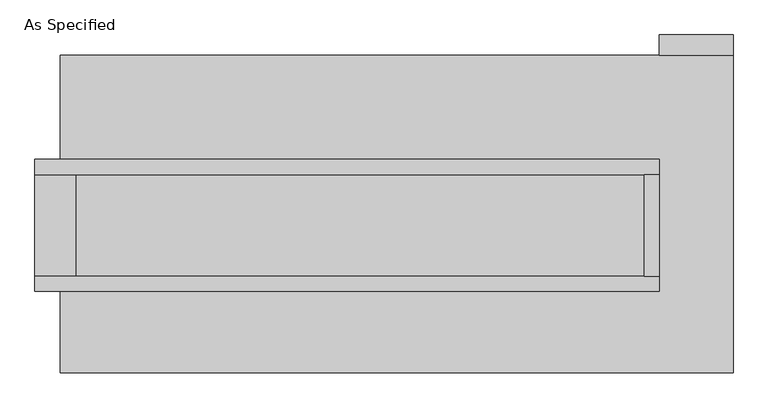
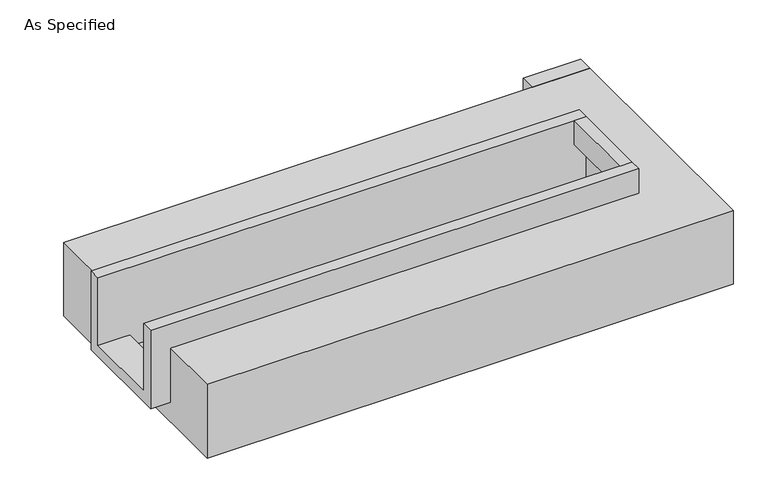
"""IFC4 building model written with IfcOpenShell, lengths in millimetres: proxy geometry, As Specified."""

from ifc_helpers import new_model, si_unit, frame, origin, place, context, project, spatial, polyline, outline, extrude, faceted_brep, source, transform, mapped, element, save


def as_specified_f2fa9c36(model_context):
    return source(origin(), model_context, "Body", "SolidModel", [
        extrude(outline(polyline([(1784.35, 793.75), (1416.05, 793.75), (1416.05, 895.35), (1784.35, 895.35), (1784.35, 793.75)])), frame((0.0, 0.0, -523.9742188), z_axis=(0.0, 0.0, 1.0), x_axis=(1.0, 0.0, 0.0)), (0.0, 0.0, 1.0), 498.5742187),
        extrude(outline(polyline([(1339.85, 196.85), (1416.05, 196.85), (1416.05, -311.15), (1339.85, -311.15), (1339.85, 196.85)])), frame((0.0, 0.0, -25.4), z_axis=(0.0, 0.0, 1.0), x_axis=(1.0, 0.0, 0.0)), (0.0, 0.0, 1.0), 165.1),
        faceted_brep([(1416.05, 196.85, 139.7), (1416.05, 196.85, -317.5), (1416.05, -311.15, -317.5), (1416.05, -311.15, 139.7), (1416.05, -387.35, 139.7), (1416.05, -387.35, -393.7), (1416.05, 273.05, -393.7), (1416.05, 273.05, 139.7), (-1708.15, 196.85, 139.7), (-1708.15, 273.05, 139.7), (-1708.15, 273.05, -393.7), (-1708.15, -387.35, -393.7), (-1708.15, -387.35, 139.7), (-1708.15, -311.15, 139.7), (-1708.15, -311.15, -317.5), (-1708.15, 196.85, -317.5), (-1504.95, 196.85, -393.7), (-1504.95, -311.15, -393.7), (1339.85, -311.15, -393.7), (1339.85, 196.85, -393.7), (1339.85, -311.15, -317.5), (-1504.95, -311.15, -317.5), (1339.85, 196.85, -317.5), (-1504.95, 196.85, -317.5)], [[[0, 1, 2, 3, 4, 5, 6, 7]], [[8, 9, 10, 11, 12, 13, 14, 15]], [[0, 7, 9, 8]], [[7, 6, 10, 9]], [[6, 5, 11, 10], [16, 17, 18, 19]], [[4, 3, 13, 12]], [[3, 2, 20, 18, 17, 21, 14, 13]], [[2, 1, 22, 20]], [[15, 14, 21, 23]], [[1, 0, 8, 15, 23, 16, 19, 22]], [[21, 17, 16, 23]], [[18, 20, 22, 19]], [[5, 4, 12, 11]]]),
        faceted_brep([(1784.35, 793.75, -523.9742188), (1784.35, -793.75, -523.9742188), (-1581.15, -793.75, -523.9742188), (-1581.15, 793.75, -523.9742188), (-1581.15, 793.75, -25.4), (-1581.15, 273.05, -25.4), (1416.05, 273.05, -25.4), (1416.05, -387.35, -25.4), (-1581.15, -387.35, -25.4), (-1581.15, -793.75, -25.4), (1784.35, -793.75, -25.4), (1784.35, 793.75, -25.4), (-1581.15, -387.35, -393.7), (-1581.15, 273.05, -393.7), (1416.05, 273.05, -393.7), (1416.05, -387.35, -393.7)], [[[0, 1, 2, 3]], [[4, 5, 6, 7, 8, 9, 10, 11]], [[0, 3, 4, 11]], [[4, 3, 2, 9, 8, 12, 13, 5]], [[2, 1, 10, 9]], [[14, 15, 7, 6]], [[13, 14, 6, 5]], [[15, 14, 13, 12]], [[15, 12, 8, 7]], [[1, 0, 11, 10]]]),
    ])


if __name__ == "__main__":
    model = new_model("IFC4")
    model_context = context("Model", 3, world=origin())
    ifc_project = project(units=[si_unit("LENGTHUNIT", "METRE", prefix="MILLI")], contexts=[model_context])
    site = spatial("IfcSite", under=ifc_project)
    building = spatial("IfcBuilding", under=site)
    placement = place(None, origin())
    as_specified_shape = as_specified_f2fa9c36(model_context)
    element("IfcBuildingElementProxy", 1, Name="As Specified", ObjectType="As Specified", at=placement, inside=building, context=model_context, shape_type="MappedRepresentation", body=[
        mapped(as_specified_shape, transform((0.0, 0.0, 0.0), x_axis=(1.0, 0.0, 0.0), y_axis=(0.0, 1.0, 0.0), z_axis=(0.0, 0.0, 1.0))),
    ])
    save(model, "model.ifc")
